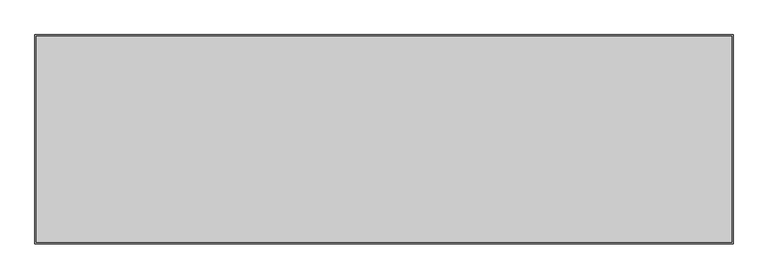
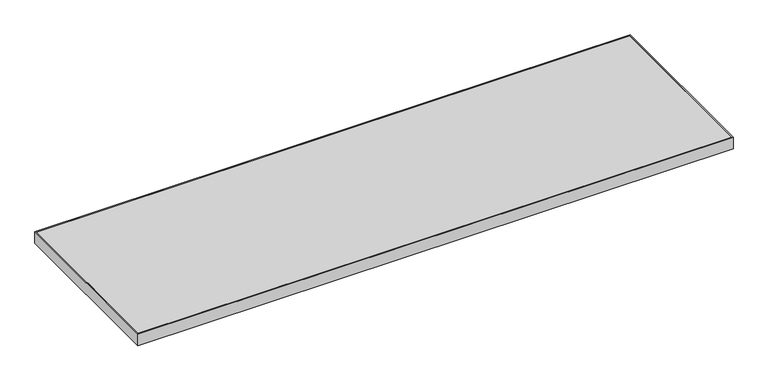
"""IFC4 building model written with IfcOpenShell, lengths in millimetres: furniture geometry."""

from ifc_helpers import new_model, si_unit, frame, origin, place, context, project, spatial, polyline, outline, extrude, source, transform, mapped, element, save


def furniture_52624001(model_context):
    return source(origin(), model_context, "Body", "SweptSolid", [
        extrude(outline(polyline([(1520.9520001, -3.0479999), (1520.9520001, -454.1520001), (3.0479999, -454.1520001), (3.0479999, -3.0479999), (1520.9520001, -3.0479999)])), frame((0.0, 0.0, 680.72), z_axis=(0.0, 0.0, 1.0), x_axis=(1.0, 0.0, 0.0)), (0.0, 0.0, 1.0), 30.48),
        extrude(outline(polyline([(1524.0, 0.0), (1524.0, -457.2), (0.0, -457.2), (0.0, 0.0), (1524.0, 0.0)]), holes=[polyline([(1520.9520001, -3.0479999), (3.0479999, -3.0479999), (3.0479999, -454.1520001), (1520.9520001, -454.1520001), (1520.9520001, -3.0479999)])]), frame((0.0, 0.0, 680.72), z_axis=(0.0, 0.0, 1.0), x_axis=(1.0, 0.0, 0.0)), (0.0, 0.0, 1.0), 30.48),
    ])


if __name__ == "__main__":
    model = new_model("IFC4")
    model_context = context("Model", 3, world=origin())
    ifc_project = project(units=[si_unit("LENGTHUNIT", "METRE", prefix="MILLI")], contexts=[model_context])
    site = spatial("IfcSite", under=ifc_project)
    building = spatial("IfcBuilding", under=site)
    placement = place(None, origin())
    furniture_shape = furniture_52624001(model_context)
    element("IfcFurniture", 1, at=placement, inside=building, context=model_context, shape_type="MappedRepresentation", body=[
        mapped(furniture_shape, transform((0.0, 0.0, 0.0), x_axis=(1.0, 0.0, 0.0), y_axis=(0.0, 1.0, 0.0), z_axis=(0.0, 0.0, 1.0))),
    ])
    save(model, "model.ifc")
